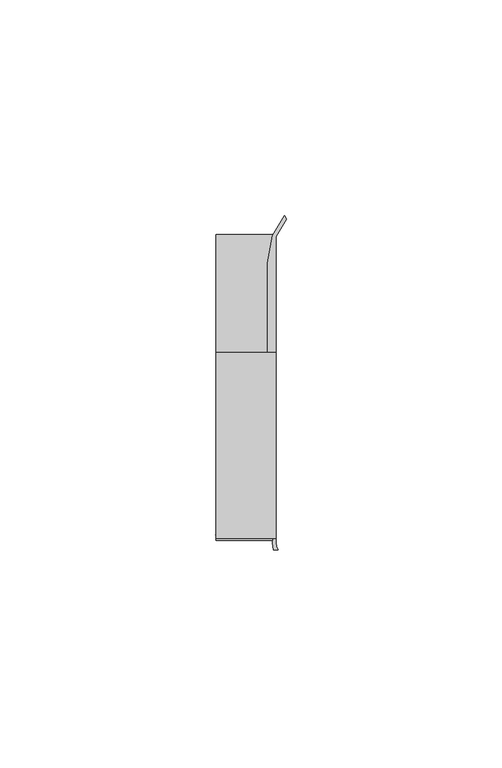
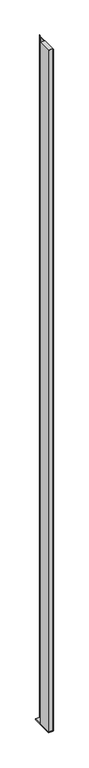
"""IFC4 building model written with IfcOpenShell, lengths in millimetres: furniture geometry."""

from ifc_helpers import new_model, si_unit, point, frame, frame_2d, origin, place, context, project, spatial, polyline, circle_curve, trimmed, segment, composite_curve, outline, extrude, source, transform, mapped, element, save


def furniture_7cac8895(model_context):
    return source(origin(), model_context, "Body", "SweptSolid", [
        extrude(outline(polyline([(31.9660873, 18.9594777), (31.9660873, -24.0995273), (18.0754623, -24.0995273), (18.0754623, 18.9594777), (31.9660873, 18.9594777)])), frame((0.0, 0.0, 513.2246824), z_axis=(0.0, 0.0, 1.0), x_axis=(1.0, 0.0, 0.0)), (0.0, 0.0, 1.0), 2253.8767176),
        extrude(outline(polyline([(18.0754623, -24.0995273), (18.0754623, 46.6824219), (31.9660873, 46.6824219), (31.9660873, -24.0995273), (18.0754623, -24.0995273)])), frame((0.0, 0.0, 510.6924), z_axis=(0.0, 0.0, 1.0), x_axis=(1.0, 0.0, 0.0)), (0.0, 0.0, 1.0), 2.5322824),
        extrude(outline(composite_curve([segment(polyline([(33.8779838, 50.6802202), (34.2963358, 49.8958113), (31.9660873, 45.8886719), (31.9660873, -25.0252959)]), True, "CONTINUOUS"), segment(trimmed(circle_curve(frame_2d((36.5370848, -24.9306779)), 4.5719767), [point((31.9660873, -25.0252959))], [point((32.3362111, -26.7350146))], True, "CARTESIAN"), True, "CONTINUOUS"), segment(polyline([(32.3362111, -26.7350146), (31.3598061, -26.7312177)]), True, "CONTINUOUS"), segment(trimmed(circle_curve(frame_2d((38.1067431, -24.7767162)), 7.0243316), [point((31.3598061, -26.7312177))], [point((31.0897622, -25.0979846))], False, "CARTESIAN"), True, "CONTINUOUS"), segment(polyline([(31.0897622, -25.0979846), (31.204088, -24.0995273), (18.7580885, -24.0995273), (17.9586029, -23.2998418), (31.2224462, -23.2998418), (31.2224462, 18.9594777), (29.9783377, 18.9594777), (29.9783377, 39.6814262), (31.1100649, 46.0995711), (33.8779838, 50.6802202)]), True, "CONTINUOUS")], self_intersect=False)), frame((0.0, 0.0, 513.2246824), z_axis=(0.0, 0.0, 1.0), x_axis=(1.0, 0.0, 0.0)), (0.0, 0.0, 1.0), 2253.8767176),
    ])


if __name__ == "__main__":
    model = new_model("IFC4")
    model_context = context("Model", 3, world=origin())
    ifc_project = project(units=[si_unit("LENGTHUNIT", "METRE", prefix="MILLI")], contexts=[model_context])
    site = spatial("IfcSite", under=ifc_project)
    building = spatial("IfcBuilding", under=site)
    placement = place(None, origin())
    furniture_shape = furniture_7cac8895(model_context)
    element("IfcFurniture", 1, at=placement, inside=building, context=model_context, shape_type="MappedRepresentation", body=[
        mapped(furniture_shape, transform((0.0, 0.0, 0.0), x_axis=(1.0, 0.0, 0.0), y_axis=(0.0, 1.0, 0.0), z_axis=(0.0, 0.0, 1.0))),
    ])
    save(model, "model.ifc")
